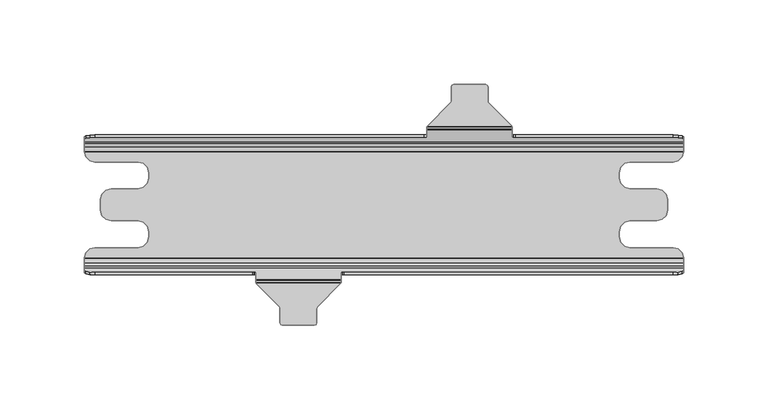
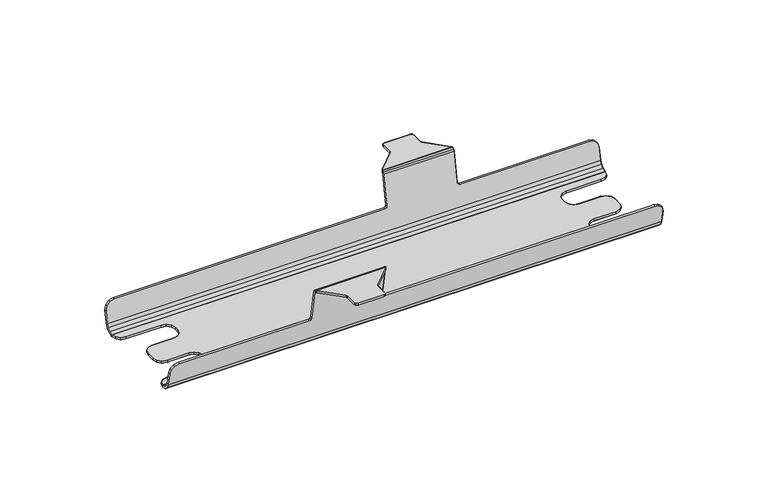
"""IFC4 building model written with IfcOpenShell, lengths in millimetres: furniture geometry."""

from ifc_helpers import new_model, si_unit, origin, place, context, project, spatial, triangles, source, transform, mapped, element, save


def furniture_5d3b4baf(model_context):
    return source(origin(), model_context, "Body", "Tessellation", [
        triangles([(361.95, 40.0091722, 604.4036965), (361.95, 41.5100162, 604.1390325), (365.1249879, 41.3622872, 603.3012202), (365.1249879, 39.8614386, 603.5658843), (367.4492646, 40.9586827, 601.0122974), (367.4492646, 39.4578386, 601.2769252), (368.3000121, 40.4073492, 597.8855261), (368.3000121, 38.9065051, 598.1501538), (368.290892, 31.4098697, 584.0730334), (368.290892, 31.4098697, 582.5490349), (367.3323386, 28.3805987, 582.5490349), (367.3323386, 28.3805987, 584.0730334), (365.0262657, 26.1949036, 582.5490349), (365.0262657, 26.1949036, 584.0730334), (361.95, 25.4000008, 582.5490349), (361.95, 25.4000008, 584.0730334), (329.9967905, 19.05, 584.0730334), (329.9967905, 19.05, 582.5490349), (330.847538, 22.2249992, 584.0730334), (330.847538, 22.2249992, 582.5490349), (333.1718147, 24.5492624, 584.0730334), (333.1718147, 24.5492624, 582.5490349), (336.3468026, 25.4000008, 584.0730334), (336.3468026, 25.4000008, 582.5490349), (329.9967905, 15.8749996, 584.0730334), (329.9967905, 15.8749996, 582.5490349), (330.847538, 12.7000004, 584.0730334), (330.847538, 12.7000004, 582.5490349), (333.1718147, 10.3757384, 584.0730334), (333.1718147, 10.3757384, 582.5490349), (336.3468026, 9.525, 584.0730334), (336.3468026, 9.525, 582.5490349), (352.425, 9.525, 584.0730334), (352.425, 9.525, 582.5490349), (355.5999879, 8.6742616, 584.0730334), (355.5999879, 8.6742616, 582.5490349), (357.9242646, 6.3500002, 584.0730334), (357.9242646, 6.3500002, 582.5490349), (358.7750121, 3.1750001, 584.0730334), (358.7750121, 3.1750001, 582.5490349), (352.425, -9.525, 584.0730334), (352.425, -9.525, 582.5490349), (355.5999879, -8.6742616, 584.0730334), (355.5999879, -8.6742616, 582.5490349), (357.9242646, -6.3500002, 584.0730334), (357.9242646, -6.3500002, 582.5490349), (358.7750121, -3.1750001, 584.0730334), (358.7750121, -3.1750001, 582.5490349), (336.3468026, -9.525, 584.0730334), (336.3468026, -9.525, 582.5490349), (333.1718147, -10.3757384, 582.5490349), (333.1718147, -10.3757384, 584.0730334), (330.847538, -12.7000004, 582.5490349), (330.847538, -12.7000004, 584.0730334), (329.9967905, -15.8749996, 582.5490349), (329.9967905, -15.8749996, 584.0730334), (329.9967905, -19.05, 584.0730334), (329.9967905, -19.05, 582.5490349), (330.847538, -22.2249992, 584.0730334), (330.847538, -22.2249992, 582.5490349), (333.1718147, -24.5492624, 584.0730334), (333.1718147, -24.5492624, 582.5490349), (336.3468026, -25.4000008, 584.0730334), (336.3468026, -25.4000008, 582.5490349), (361.95, -25.4000008, 584.0730334), (361.95, -25.4000008, 582.5490349), (365.0262657, -26.1949036, 584.0730334), (365.0262657, -26.1949036, 582.5490349), (367.3323386, -28.3805987, 584.0730334), (367.3323386, -28.3805987, 582.5490349), (368.290892, -31.4098697, 584.0730334), (368.290892, -31.4098697, 582.5490349), (368.3000121, -31.7499992, 584.0827349), (368.3000121, -31.7499992, 582.5567742), (368.3000121, -34.2926561, 584.8143399), (368.3000121, -34.9769984, 583.4516687), (368.3000121, -36.2702311, 586.5720451), (368.3000121, -37.4928309, 585.6618536), (368.3000121, -38.7959286, 588.7466944), (368.3000121, -37.2950823, 589.0113221), (368.3000121, -38.9065051, 598.1501538), (368.3000121, -40.4073492, 597.8855261), (367.4492646, -40.9586827, 601.0122974), (367.4492646, -39.4578386, 601.2769252), (365.1249879, -41.3622872, 603.3012202), (365.1249879, -39.8614386, 603.5658843), (361.95, -41.5100162, 604.1390325), (361.95, -40.0091722, 604.4036965), (19.05, -40.0091722, 604.4036965), (19.05, -41.5100162, 604.1390325), (15.8749996, -41.3622872, 603.3012202), (15.8749996, -39.8614386, 603.5658843), (13.5507388, -40.9586827, 601.0122974), (13.5507388, -39.4578386, 601.2769252), (12.7000004, -40.4073492, 597.8855261), (12.7000004, -38.9065051, 598.1501538), (12.7000004, -37.2950823, 589.0113221), (12.7000004, -38.7959286, 588.7466944), (12.7000004, -37.4928309, 585.6618536), (12.7000004, -36.2702311, 586.5720451), (12.7000004, -34.9769984, 583.4516687), (12.7000004, -34.2926561, 584.8143399), (12.7000004, -31.7499992, 582.5567742), (12.7000004, -31.7499992, 584.0827349), (12.7091159, -31.4098697, 584.0730334), (12.7091159, -31.4098697, 582.5490349), (13.6676546, -28.3805987, 582.5490349), (13.6676546, -28.3805987, 584.0730334), (15.9737354, -26.1949036, 582.5490349), (15.9737354, -26.1949036, 584.0730334), (19.05, -25.4000008, 584.0730334), (19.05, -25.4000008, 582.5490349), (44.6532019, -25.4000008, 584.0730334), (44.6532019, -25.4000008, 582.5490349), (47.8281989, -24.5492624, 584.0730334), (47.8281989, -24.5492624, 582.5490349), (50.152462, -22.2249992, 584.0730334), (50.152462, -22.2249992, 582.5490349), (51.0032004, -19.05, 582.5490349), (51.0032004, -19.05, 584.0730334), (51.0032004, -15.8749996, 584.0730334), (51.0032004, -15.8749996, 582.5490349), (50.152462, -12.7000004, 582.5490349), (50.152462, -12.7000004, 584.0730334), (47.8281989, -10.3757384, 582.5490349), (47.8281989, -10.3757384, 584.0730334), (44.6532019, -9.525, 582.5490349), (44.6532019, -9.525, 584.0730334), (28.575, -9.525, 584.0730334), (28.575, -9.525, 582.5490349), (25.4000008, -8.6742616, 582.5490349), (25.4000008, -8.6742616, 584.0730334), (23.0757376, -6.3500002, 582.5490349), (23.0757376, -6.3500002, 584.0730334), (22.2249992, -3.1750001, 582.5490349), (22.2249992, -3.1750001, 584.0730334), (22.2249992, 3.1750001, 584.0730334), (22.2249992, 3.1750001, 582.5490349), (23.0757376, 6.3500002, 584.0730334), (23.0757376, 6.3500002, 582.5490349), (25.4000008, 8.6742616, 584.0730334), (25.4000008, 8.6742616, 582.5490349), (28.575, 9.525, 584.0730334), (28.575, 9.525, 582.5490349), (44.6532019, 9.525, 584.0730334), (44.6532019, 9.525, 582.5490349), (47.8281989, 10.3757384, 584.0730334), (47.8281989, 10.3757384, 582.5490349), (50.152462, 12.7000004, 584.0730334), (50.152462, 12.7000004, 582.5490349), (51.0032004, 15.8749996, 584.0730334), (51.0032004, 15.8749996, 582.5490349), (51.0032004, 19.05, 584.0730334), (51.0032004, 19.05, 582.5490349), (50.152462, 22.2249992, 584.0730334), (50.152462, 22.2249992, 582.5490349), (47.8281989, 24.5492624, 582.5490349), (47.8281989, 24.5492624, 584.0730334), (44.6532019, 25.4000008, 582.5490349), (44.6532019, 25.4000008, 584.0730334), (19.05, 25.4000008, 584.0730334), (19.05, 25.4000008, 582.5490349), (15.9737354, 26.1949036, 582.5490349), (15.9737354, 26.1949036, 584.0730334), (13.6676546, 28.3805987, 584.0730334), (13.6676546, 28.3805987, 582.5490349), (12.7091159, 31.4098697, 584.0730334), (12.7091159, 31.4098697, 582.5490349), (12.7000004, 40.4073492, 597.8855261), (12.7000004, 38.9065051, 598.1501538), (13.5507388, 39.4578386, 601.2769252), (13.5507388, 40.9586827, 601.0122974), (15.8749996, 39.8614386, 603.5658843), (15.8749996, 41.3622872, 603.3012202), (19.05, 40.0091722, 604.4036965), (19.05, 41.5100162, 604.1390325), (165.1000061, -40.273809, 605.9045497), (165.1000061, -41.7746576, 605.6398856), (165.3041724, -41.6423347, 604.889459), (165.3041724, -40.1414906, 605.1541231), (165.8620053, -41.5454701, 604.3401103), (165.8620053, -40.044626, 604.6047744), (166.6240046, -40.0091722, 604.4036965), (166.6240046, -41.5100162, 604.1390325), (114.3, -40.273809, 605.9045497), (114.3, -41.7746576, 605.6398856), (114.0958246, -41.6423347, 604.889459), (114.0958246, -40.1414906, 605.1541231), (113.5380007, -41.5454701, 604.3401103), (113.5380007, -40.044626, 604.6047744), (112.7760015, -41.5100162, 604.1390325), (112.7760015, -40.0091722, 604.4036965), (368.3000121, 31.7499992, 584.0827349), (368.3000121, 31.7499992, 582.5567742), (368.3000121, 34.2926561, 584.8143399), (368.3000121, 34.9769984, 583.4516687), (368.3000121, 36.2702311, 586.5720451), (368.3000121, 37.4928309, 585.6618536), (368.3000121, 38.7959286, 588.7466944), (368.3000121, 37.2950823, 589.0113221), (12.7000004, 31.7499992, 584.0827349), (12.7000004, 31.7499992, 582.5567742), (12.7000004, 34.2926561, 584.8143399), (12.7000004, 34.9769984, 583.4516687), (12.7000004, 36.2702311, 586.5720451), (12.7000004, 37.4928309, 585.6618536), (12.7000004, 38.7959286, 588.7466944), (12.7000004, 37.2950823, 589.0113221), (128.7000022, -61.5312596, 629.5390446), (128.7000022, -61.5312596, 628.0150824), (128.7000022, -69.9760022, 629.5390446), (128.7000022, -69.9760022, 628.0150824), (129.1463685, -71.0536299, 629.5390446), (129.1463685, -71.0536299, 628.0150824), (130.2240008, -71.5000007, 629.5390446), (130.2240008, -71.5000007, 628.0150824), (149.1759962, -71.5000007, 629.5390446), (149.1759962, -71.5000007, 628.0150824), (150.2536285, -71.0536299, 629.5390446), (150.2536285, -71.0536299, 628.0150824), (150.7000038, -69.9760022, 629.5390446), (150.7000038, -69.9760022, 628.0150824), (150.7000038, -61.5312596, 628.0150824), (150.7000038, -61.5312596, 629.5390446), (252.7463641, 60.4536319, 629.5390446), (252.7463641, 60.4536319, 628.0150824), (252.4160063, 60.9480512, 628.0150824), (252.4160063, 60.9480512, 629.5390446), (252.3000069, 61.5312596, 629.5390446), (252.3000069, 61.5312596, 628.0150824), (252.3000069, 69.9760022, 629.5390446), (252.3000069, 69.9760022, 628.0150824), (251.8536315, 71.0536299, 628.0150824), (251.8536315, 71.0536299, 629.5390446), (250.7760083, 71.5000007, 628.0150824), (250.7760083, 71.5000007, 629.5390446), (231.8240038, 71.5000007, 629.5390446), (231.8240038, 71.5000007, 628.0150824), (230.7463624, 71.0536299, 628.0150824), (230.7463624, 71.0536299, 629.5390446), (230.3000052, 69.9760022, 628.0150824), (230.3000052, 69.9760022, 629.5390446), (230.3000052, 61.5312596, 628.0150824), (230.3000052, 61.5312596, 629.5390446), (230.1839876, 60.9480512, 628.0150824), (230.1839876, 60.9480512, 629.5390446), (229.8536299, 60.4536319, 628.0150824), (229.8536299, 60.4536319, 629.5390446), (216.3463693, 46.9463714, 628.0150824), (216.3463693, 46.9463714, 629.5390446), (215.9811481, 46.3593932, 629.5390446), (215.9811481, 46.3593932, 628.0150824), (215.8999939, 45.8687391, 627.8360235), (215.8999939, 45.8687391, 629.4857775), (215.8999939, 45.6992046, 627.6335649), (215.8999939, 44.7095302, 628.8353811), (215.8999939, 45.6089712, 627.385397), (215.8999939, 44.1081226, 627.6499884), (215.8999939, 41.7746576, 605.6398856), (215.8999939, 40.273809, 605.9045497), (214.3759954, 40.0091722, 604.4036965), (214.3759954, 41.5100162, 604.1390325), (215.4536367, 41.5875279, 604.5786495), (215.4536367, 40.0866792, 604.8432773), (266.2536246, 46.9463714, 628.0150824), (266.2536246, 46.9463714, 629.5390446), (266.618864, 46.3593932, 629.5390446), (266.618864, 46.3593932, 628.0150824), (266.7, 45.8687391, 629.4857775), (266.7, 45.8687391, 627.8360235), (266.7, 44.7095302, 628.8353811), (266.7, 45.6992046, 627.6335649), (266.7, 45.6089712, 627.385397), (266.7, 44.1081226, 627.6499884), (266.7, 40.273809, 605.9045497), (266.7, 41.7746576, 605.6398856), (267.1463754, 41.5875279, 604.5786495), (267.1463754, 40.0866792, 604.8432773), (268.2239985, 40.0091722, 604.4036965), (268.2239985, 41.5100162, 604.1390325), (128.2536268, -60.4536319, 629.5390446), (128.2536268, -60.4536319, 628.0150824), (128.5839937, -60.9480512, 629.5390446), (128.5839937, -60.9480512, 628.0150824), (114.7463663, -46.9463714, 628.0150824), (114.7463663, -46.9463714, 629.5390446), (114.3811451, -46.3593932, 628.0150824), (114.3811451, -46.3593932, 629.5390446), (114.3, -45.8687391, 629.4857775), (114.3, -45.8687391, 627.8360235), (114.3, -44.1081226, 627.6499884), (114.3, -45.6089712, 627.385397), (114.3, -45.6992046, 627.6335649), (114.3, -44.7095302, 628.8353811), (150.8160033, -60.9480512, 628.0150824), (150.8160033, -60.9480512, 629.5390446), (151.1463701, -60.4536319, 629.5390446), (151.1463701, -60.4536319, 628.0150824), (164.6536307, -46.9463714, 629.5390446), (164.6536307, -46.9463714, 628.0150824), (165.1000061, -45.8687391, 627.8360235), (165.1000061, -45.8687391, 629.4857775), (165.1000061, -44.7095302, 628.8353811), (165.1000061, -45.6992046, 627.6335649), (165.1000061, -45.6089712, 627.385397), (165.1000061, -44.1081226, 627.6499884), (165.0188519, -46.3593932, 628.0150824), (165.0188519, -46.3593932, 629.5390446), (165.5463633, -40.0866792, 604.8432773), (113.8536337, -40.0866792, 604.8432773), (266.9041845, 41.6423347, 604.889459), (215.6958276, 41.6423347, 604.889459), (215.1379947, 41.5454701, 604.3401103), (267.4619993, 41.5454701, 604.3401103)], [[1, 2, 3], [1, 3, 4], [4, 3, 5], [4, 5, 6], [6, 5, 7], [6, 7, 8], [9, 10, 11], [9, 11, 12], [12, 11, 13], [12, 13, 14], [14, 13, 15], [14, 15, 16], [17, 18, 19], [18, 20, 19], [19, 20, 21], [20, 22, 21], [21, 22, 23], [22, 24, 23], [25, 26, 27], [26, 28, 27], [27, 28, 29], [28, 30, 29], [29, 30, 31], [30, 32, 31], [33, 34, 35], [34, 36, 35], [35, 36, 37], [36, 38, 37], [37, 38, 39], [38, 40, 39], [41, 42, 43], [42, 44, 43], [43, 44, 45], [44, 46, 45], [45, 46, 47], [46, 48, 47], [49, 50, 51], [49, 51, 52], [52, 51, 53], [52, 53, 54], [54, 53, 55], [54, 55, 56], [57, 58, 59], [58, 60, 59], [59, 60, 61], [60, 62, 61], [61, 62, 63], [62, 64, 63], [65, 66, 67], [66, 68, 67], [67, 68, 69], [68, 70, 69], [69, 70, 71], [70, 72, 71], [73, 74, 75], [74, 76, 75], [75, 76, 77], [76, 78, 77], [77, 78, 79], [77, 79, 80], [81, 82, 83], [81, 83, 84], [84, 83, 85], [84, 85, 86], [86, 85, 87], [86, 87, 88], [89, 90, 91], [89, 91, 92], [92, 91, 93], [92, 93, 94], [94, 93, 95], [94, 95, 96], [97, 98, 99], [97, 99, 100], [100, 99, 101], [100, 101, 102], [102, 101, 103], [102, 103, 104], [105, 106, 107], [105, 107, 108], [108, 107, 109], [108, 109, 110], [110, 109, 111], [109, 112, 111], [113, 114, 115], [114, 116, 115], [115, 116, 117], [116, 118, 117], [117, 118, 119], [117, 119, 120], [121, 122, 123], [121, 123, 124], [124, 123, 125], [124, 125, 126], [126, 125, 127], [126, 127, 128], [129, 130, 131], [129, 131, 132], [132, 131, 133], [132, 133, 134], [134, 133, 135], [134, 135, 136], [137, 138, 139], [138, 140, 139], [139, 140, 141], [140, 142, 141], [141, 142, 143], [142, 144, 143], [145, 146, 147], [146, 148, 147], [147, 148, 149], [148, 150, 149], [149, 150, 151], [150, 152, 151], [153, 154, 155], [154, 156, 155], [155, 156, 157], [155, 157, 158], [158, 157, 159], [158, 159, 160], [161, 162, 163], [161, 163, 164], [164, 163, 165], [163, 166, 165], [165, 166, 167], [166, 168, 167], [169, 170, 171], [169, 171, 172], [172, 171, 173], [172, 173, 174], [174, 173, 175], [174, 175, 176], [177, 178, 179], [177, 179, 180], [180, 179, 181], [180, 181, 182], [182, 181, 183], [181, 184, 183], [185, 186, 187], [185, 187, 188], [188, 187, 189], [188, 189, 190], [190, 189, 191], [190, 191, 192], [193, 194, 195], [194, 196, 195], [195, 196, 197], [196, 198, 197], [197, 198, 199], [197, 199, 200], [201, 202, 203], [202, 204, 203], [203, 204, 205], [204, 206, 205], [205, 206, 207], [205, 207, 208], [7, 8, 199], [8, 200, 199], [88, 87, 184], [88, 184, 183], [89, 90, 191], [89, 191, 192], [170, 169, 207], [170, 207, 208], [168, 167, 201], [168, 201, 202], [161, 162, 159], [161, 159, 160], [152, 151, 153], [152, 153, 154], [143, 145, 144], [145, 146, 144], [135, 136, 137], [135, 137, 138], [127, 128, 129], [127, 129, 130], [119, 120, 121], [119, 121, 122], [112, 111, 113], [112, 113, 114], [103, 104, 105], [103, 105, 106], [95, 96, 98], [96, 97, 98], [80, 81, 82], [80, 82, 79], [72, 71, 73], [72, 73, 74], [64, 63, 65], [64, 65, 66], [55, 56, 57], [55, 57, 58], [42, 41, 49], [42, 49, 50], [40, 39, 47], [40, 47, 48], [32, 31, 33], [32, 33, 34], [18, 17, 25], [18, 25, 26], [15, 16, 23], [15, 23, 24], [209, 210, 211], [210, 212, 211], [212, 211, 213], [212, 213, 214], [213, 214, 215], [214, 216, 215], [216, 215, 217], [216, 217, 218], [217, 218, 219], [218, 220, 219], [220, 219, 221], [220, 221, 222], [221, 222, 223], [221, 223, 224], [225, 226, 227], [225, 227, 228], [228, 227, 229], [227, 230, 229], [231, 232, 233], [231, 233, 234], [234, 233, 235], [234, 235, 236], [237, 238, 239], [237, 239, 240], [240, 239, 241], [240, 241, 242], [237, 238, 236], [238, 235, 236], [243, 244, 242], [243, 242, 241], [244, 243, 245], [244, 245, 246], [246, 245, 247], [246, 247, 248], [249, 250, 248], [249, 248, 247], [251, 250, 252], [250, 249, 252], [253, 254, 251], [253, 251, 252], [254, 253, 255], [254, 255, 256], [256, 255, 257], [256, 257, 258], [259, 260, 258], [259, 258, 257], [261, 262, 263], [261, 263, 264], [264, 263, 259], [264, 259, 260], [176, 175, 261], [176, 261, 262], [265, 266, 267], [265, 267, 268], [268, 267, 269], [268, 269, 270], [270, 269, 271], [270, 271, 272], [272, 271, 273], [271, 274, 273], [232, 231, 229], [232, 229, 230], [226, 225, 266], [226, 266, 265], [273, 274, 275], [273, 275, 276], [275, 276, 277], [275, 277, 278], [278, 277, 279], [277, 280, 279], [2, 280, 279], [2, 279, 1], [281, 282, 283], [282, 284, 283], [283, 284, 209], [284, 210, 209], [285, 282, 281], [285, 281, 286], [285, 287, 288], [285, 288, 286], [287, 288, 289], [287, 289, 290], [291, 292, 293], [291, 293, 294], [294, 293, 289], [293, 290, 289], [185, 186, 291], [186, 292, 291], [224, 223, 295], [224, 295, 296], [296, 295, 297], [295, 298, 297], [297, 298, 299], [298, 300, 299], [301, 302, 303], [301, 303, 304], [304, 303, 305], [303, 306, 305], [301, 307, 308], [301, 308, 302], [308, 299, 300], [308, 300, 307], [178, 177, 306], [178, 306, 305], [1, 175, 4], [175, 173, 4], [4, 173, 171], [4, 171, 6], [6, 171, 170], [6, 170, 8], [8, 200, 208], [8, 208, 170], [201, 193, 195], [201, 195, 203], [203, 195, 197], [203, 197, 205], [205, 197, 200], [205, 200, 208], [193, 9, 167], [193, 167, 201], [167, 9, 12], [167, 12, 165], [165, 12, 14], [165, 14, 164], [164, 14, 16], [164, 16, 161], [153, 17, 19], [153, 19, 155], [155, 19, 21], [155, 21, 158], [158, 21, 23], [158, 23, 160], [151, 25, 27], [151, 27, 149], [149, 27, 29], [149, 29, 147], [147, 29, 31], [147, 31, 145], [25, 17, 153], [25, 153, 151], [33, 143, 141], [33, 141, 35], [35, 141, 139], [35, 139, 37], [37, 139, 137], [37, 137, 39], [47, 136, 45], [136, 134, 45], [45, 134, 132], [45, 132, 43], [43, 132, 129], [43, 129, 41], [137, 136, 47], [137, 47, 39], [128, 49, 52], [128, 52, 126], [126, 52, 54], [126, 54, 124], [124, 54, 56], [124, 56, 121], [120, 57, 59], [120, 59, 117], [117, 59, 61], [117, 61, 115], [115, 61, 63], [115, 63, 113], [57, 56, 121], [57, 121, 120], [111, 65, 67], [111, 67, 110], [110, 67, 69], [110, 69, 108], [108, 69, 71], [108, 71, 105], [73, 71, 105], [73, 105, 104], [104, 73, 75], [104, 75, 102], [102, 75, 77], [102, 77, 100], [100, 77, 80], [100, 80, 97], [81, 96, 94], [81, 94, 84], [84, 94, 92], [84, 92, 86], [86, 92, 89], [86, 89, 88], [81, 80, 97], [81, 97, 96], [275, 260, 264], [275, 264, 278], [278, 264, 279], [264, 261, 279], [260, 275, 274], [260, 274, 258], [274, 258, 256], [274, 256, 271], [271, 256, 254], [271, 254, 269], [269, 267, 251], [269, 251, 254], [266, 225, 250], [225, 248, 250], [244, 229, 246], [229, 228, 246], [246, 228, 248], [228, 225, 248], [229, 231, 244], [231, 242, 244], [242, 231, 234], [242, 234, 240], [240, 234, 236], [240, 236, 237], [192, 183, 309], [192, 309, 310], [310, 309, 177], [310, 177, 185], [306, 177, 185], [306, 185, 291], [306, 291, 294], [306, 294, 303], [303, 294, 289], [303, 289, 302], [308, 302, 289], [308, 289, 288], [299, 286, 297], [286, 281, 297], [224, 209, 283], [224, 283, 296], [296, 283, 281], [296, 281, 297], [217, 215, 219], [215, 213, 219], [219, 213, 211], [219, 211, 221], [209, 211, 221], [209, 221, 224], [250, 251, 266], [251, 267, 266], [288, 286, 299], [288, 299, 308], [168, 10, 11], [168, 11, 166], [166, 11, 13], [166, 13, 163], [163, 13, 15], [163, 15, 162], [154, 18, 20], [154, 20, 156], [156, 20, 22], [156, 22, 157], [157, 22, 24], [157, 24, 159], [152, 26, 28], [152, 28, 150], [150, 28, 30], [150, 30, 148], [148, 30, 32], [148, 32, 146], [26, 18, 154], [26, 154, 152], [34, 144, 142], [34, 142, 36], [36, 142, 140], [36, 140, 38], [38, 140, 138], [38, 138, 40], [48, 135, 46], [135, 133, 46], [46, 133, 131], [46, 131, 44], [44, 131, 130], [44, 130, 42], [138, 135, 48], [138, 48, 40], [127, 50, 51], [127, 51, 125], [125, 51, 53], [125, 53, 123], [123, 53, 55], [123, 55, 122], [119, 58, 60], [119, 60, 118], [118, 60, 62], [118, 62, 116], [116, 62, 64], [116, 64, 114], [58, 55, 122], [58, 122, 119], [112, 66, 68], [112, 68, 109], [109, 68, 70], [109, 70, 107], [107, 70, 72], [107, 72, 106], [265, 226, 249], [226, 247, 249], [243, 230, 245], [230, 227, 245], [245, 227, 247], [227, 226, 247], [230, 232, 243], [232, 241, 243], [241, 232, 233], [241, 233, 239], [239, 233, 235], [239, 235, 238], [300, 285, 298], [285, 282, 298], [223, 210, 284], [223, 284, 295], [295, 284, 282], [295, 282, 298], [218, 216, 220], [216, 214, 220], [220, 214, 212], [220, 212, 222], [210, 212, 222], [210, 222, 223], [249, 252, 265], [252, 268, 265], [287, 285, 300], [287, 300, 307], [307, 301, 290], [307, 290, 287], [301, 304, 293], [301, 293, 290], [293, 292, 304], [292, 305, 304], [292, 186, 305], [186, 178, 305], [186, 187, 178], [187, 179, 178], [179, 181, 187], [181, 189, 187], [85, 91, 90], [85, 90, 87], [82, 95, 93], [82, 93, 83], [83, 93, 91], [83, 91, 85], [82, 79, 98], [82, 98, 95], [98, 99, 78], [98, 78, 79], [99, 101, 76], [99, 76, 78], [74, 72, 106], [74, 106, 103], [101, 103, 74], [101, 74, 76], [252, 253, 268], [253, 270, 268], [253, 255, 270], [255, 272, 270], [272, 273, 257], [272, 257, 255], [273, 276, 259], [273, 259, 257], [276, 311, 312], [276, 312, 259], [312, 313, 311], [313, 314, 311], [2, 176, 3], [176, 174, 3], [5, 172, 169], [5, 169, 7], [3, 174, 172], [3, 172, 5], [169, 207, 199], [169, 199, 7], [199, 198, 206], [199, 206, 207], [198, 196, 204], [198, 204, 206], [196, 194, 202], [196, 202, 204], [194, 10, 168], [194, 168, 202], [194, 193, 9], [194, 9, 10]], closed=False),
    ])


if __name__ == "__main__":
    model = new_model("IFC4")
    model_context = context("Model", 3, world=origin())
    ifc_project = project(units=[si_unit("LENGTHUNIT", "METRE", prefix="MILLI")], contexts=[model_context])
    site = spatial("IfcSite", under=ifc_project)
    building = spatial("IfcBuilding", under=site)
    placement = place(None, origin())
    furniture_shape = furniture_5d3b4baf(model_context)
    element("IfcFurniture", 1, at=placement, inside=building, context=model_context, shape_type="MappedRepresentation", body=[
        mapped(furniture_shape, transform((0.0, 0.0, 0.0), x_axis=(1.0, 0.0, 0.0), y_axis=(0.0, 1.0, 0.0), z_axis=(0.0, 0.0, 1.0))),
    ])
    save(model, "model.ifc")
